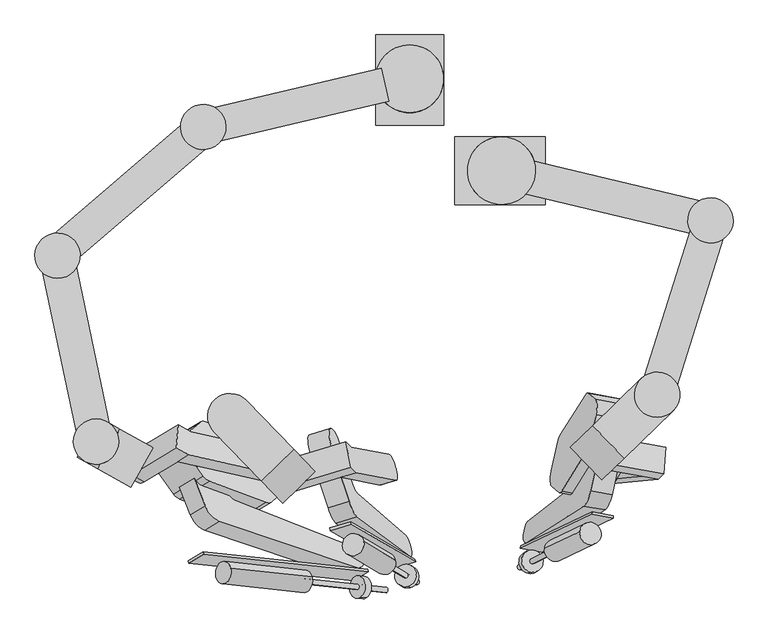
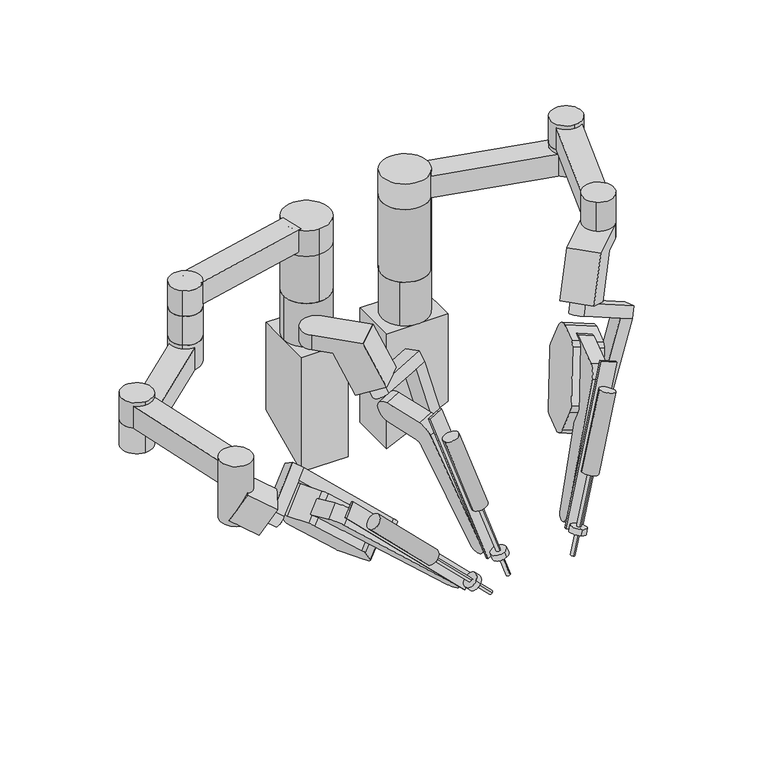
"""IFC4 building model written with IfcOpenShell, lengths in millimetres: proxy geometry."""

from ifc_helpers import new_model, si_unit, point, frame, frame_2d, origin, place, context, project, spatial, polyline, circle_curve, ellipse_curve, trimmed, segment, composite_curve, outline, extrude, source, transform, mapped, element, save
from ifc_brep_helpers import plane_surface, cylinder_surface, advanced_brep


def generic_models_1e591050(model_context):
    return source(origin(), model_context, "Body", "SolidModel", [
        advanced_brep(
        [(-258.2810903, -1226.9161552, 1247.8126223), (-520.8532671, -1167.6401337, 1481.1542051), (-516.4941882, -1115.9168417, 1444.5762132), (-267.6061209, -1172.1036571, 1223.3953696), (-233.2059041, -1211.7921884, 1272.1870077), (-242.5309346, -1156.9796902, 1247.7697549), (-491.4190019, -1100.7928748, 1468.9505985), (-519.9847939, -1084.6755547, 1488.3371279), (-524.3438728, -1136.3988467, 1524.9151198), (-495.7780808, -1152.5161669, 1505.5285904), (-596.0788259, -1213.0120343, 1408.031049), (-591.719747, -1161.2887422, 1371.4530571), (-620.2855389, -1145.1714221, 1390.8395865), (-624.6446178, -1196.8947141, 1427.4175784)],
        [
            (0, 1),
            (1, 2),
            (2, 3),
            (3, 0, circle_curve(frame((-262.9436056, -1199.5099062, 1235.603996), z_axis=(-0.6581413715955652, -0.3969545105254528, -0.6397476467856732), x_axis=(-0.15356074952558446, 0.9026295661053119, -0.40209322625191934)), 30.362676)),
            (4, 5, circle_curve(frame((-237.8684194, -1184.3859393, 1259.9783813), z_axis=(0.6581413715955652, 0.3969545105254528, 0.6397476467856732), x_axis=(-0.15356074952558446, 0.9026295661053119, -0.40209322625191934)), 30.362676)),
            (5, 6),
            (6, 7),
            (7, 8),
            (8, 9),
            (9, 4),
            (3, 5),
            (4, 0),
            (2, 6),
            (9, 1),
            (10, 11, circle_curve(frame((-593.8992864, -1187.1503883, 1389.7420531), z_axis=(0.7497583187219721, -0.42302677523558796, -0.5088327927138552), x_axis=(-0.06864691181327294, -0.8145400321698636, 0.5760313684958643)), 31.75)),
            (11, 2),
            (1, 10),
            (12, 13, circle_curve(frame((-622.4650784, -1171.0330681, 1409.1285825), z_axis=(-0.7497583187219721, 0.42302677523558796, 0.5088327927138552), x_axis=(-0.06864691181327294, -0.8145400321698636, 0.5760313684958643)), 31.75)),
            (13, 8),
            (7, 12),
            (11, 12),
            (13, 10),
        ],
        [
            plane_surface(frame((-267.6061209, -1172.1036571, 1223.3953696), z_axis=(-0.6581413715955493, -0.3969545105254627, -0.6397476467856835), x_axis=(0.7370678606474883, -0.16639405928706608, -0.6550144928431029))),
            plane_surface(frame((-242.5309346, -1156.9796902, 1247.7697549), z_axis=(0.6581413715955493, 0.3969545105254627, 0.6397476467856835), x_axis=(-0.7370678606474883, 0.16639405928706608, 0.6550144928431029))),
            cylinder_surface(frame((-262.9436056, -1199.5099062, 1235.603996), z_axis=(0.6581413715955652, 0.3969545105254528, 0.6397476467856732), x_axis=(-0.15356074952558446, 0.9026295661053119, -0.40209322625191934)), 30.362676),
            plane_surface(frame((-242.5309346, -1156.9796902, 1247.7697549), z_axis=(-0.153560749525602, 0.9026295661053115, -0.4020932262519137), x_axis=(-0.6581413715955473, -0.3969545105254638, -0.6397476467856849))),
            plane_surface(frame((-495.7780808, -1152.5161669, 1505.5285904), z_axis=(0.15356074952559956, -0.9026295661053108, 0.4020932262519159), x_axis=(-0.6581413715955468, -0.396954510525464, -0.6397476467856852))),
            plane_surface(frame((-591.719747, -1161.2887422, 1371.4530571), z_axis=(0.7497583187219939, -0.4230267752355741, -0.5088327927138345), x_axis=(0.658141371595549, 0.39695451052546676, 0.6397476467856811))),
            plane_surface(frame((-620.2855389, -1145.1714221, 1390.8395865), z_axis=(-0.7497583187219939, 0.4230267752355741, 0.5088327927138345), x_axis=(-0.658141371595549, -0.39695451052546676, -0.6397476467856811))),
            plane_surface(frame((-591.719747, -1161.2887422, 1371.4530571), z_axis=(0.06864691181326785, 0.8145400321698608, -0.5760313684958692), x_axis=(-0.7497583187219959, 0.42302677523557347, 0.5088327927138321))),
            plane_surface(frame((-495.7780808, -1152.5161669, 1505.5285904), z_axis=(-0.06864691181326679, -0.8145400321698635, 0.5760313684958656), x_axis=(-0.749758318721991, 0.42302677523557364, 0.5088327927138394))),
            cylinder_surface(frame((-622.4650784, -1171.0330681, 1409.1285825), z_axis=(0.7497583187219721, -0.42302677523558796, -0.5088327927138552), x_axis=(-0.06864691181327294, -0.8145400321698636, 0.5760313684958643)), 31.75),
        ],
        [
            (0, [[1, 2, 3, 4]]),
            (1, [[5, 6, 7, 8, 9, 10]]),
            (2, [[-4, 11, -5, 12]]),
            (3, [[-3, 13, -6, -11]]),
            (4, [[-1, -12, -10, 14]]),
            (5, [[15, 16, -2, 17]]),
            (6, [[18, 19, -8, 20]]),
            (7, [[-20, -7, -13, -16, 21]]),
            (8, [[-19, 22, -17, -14, -9]]),
            (9, [[-15, -22, -18, -21]]),
        ],
    ),
        advanced_brep(
        [(-715.8894668, -1172.1965464, 1391.2007505), (-746.3567464, -1094.2820095, 1391.2007505), (-667.9503778, -1087.2309298, 1391.2007505), (-662.1975404, -1151.2011456, 1600.2), (-746.3567464, -1094.2820095, 1600.2), (-662.1975404, -1151.2011456, 1489.5768997), (-656.7144928, -1104.8968507, 1500.2034251), (-675.8312329, -1080.6527408, 1451.8794121), (-675.8312329, -1080.6527408, 1397.1683365), (-682.9593586, -1076.6309274, 1402.0059275), (-682.9593586, -1076.6309274, 1438.0326113), (-698.6119329, -1072.2584577, 1411.3336254), (-744.558956, -1153.6934042, 1411.3336254), (-694.9587113, -1172.6796074, 1500.2034251), (-625.9063402, -1225.4773936, 1449.3211428), (-700.8807031, -1183.1755449, 1500.2034251), (-746.6295455, -1157.3632468, 1411.3336254), (-671.6551826, -1199.6650955, 1360.4513431), (-575.9803916, -1136.9903343, 1449.3211428), (-621.7292339, -1111.1780362, 1360.4513431), (-650.9547545, -1094.6884857, 1500.2034251), (-696.7035968, -1068.8761875, 1411.3336254)],
        [
            (0, 1, circle_curve(frame((-704.2771434, -1122.7415775, 1391.2007505), z_axis=(0.0, 0.0, -1.0), x_axis=(-0.828338641780918, 0.5602277166764816, 0.0)), 50.8)),
            (1, 2, circle_curve(frame((-704.2771434, -1122.7415775, 1391.2007505), z_axis=(0.0, 0.0, -1.0), x_axis=(-0.828338641780918, 0.5602277166764816, 0.0)), 50.8)),
            (2, 0),
            (3, 4, circle_curve(frame((-704.2771434, -1122.7415775, 1600.2), z_axis=(0.0, 0.0, 1.0), x_axis=(-0.828338641780918, 0.5602277166764816, 0.0)), 50.8)),
            (4, 3, circle_curve(frame((-704.2771434, -1122.7415775, 1600.2), z_axis=(0.0, 0.0, 1.0), x_axis=(-0.828338641780918, 0.5602277166764816, 0.0)), 50.8)),
            (3, 5),
            (5, 6, ellipse_curve(frame((-704.2771434, -1122.7415775, 1519.5049516), z_axis=(0.44316060500752347, -0.2500389751824801, 0.8608653722034945), x_axis=(-0.749758318722004, 0.4230267752355813, 0.5088327927138135)), 59.0103884, 50.8)),
            (6, 7, ellipse_curve(frame((-704.2771434, -1122.7415775, 1444.9560117), z_axis=(-0.7497583187219935, 0.42302677523557436, 0.5088327927138351), x_axis=(0.4431606050075422, -0.2500389751824901, 0.8608653722034818)), 99.8363327, 50.8)),
            (7, 8),
            (8, 2, ellipse_curve(frame((-704.2771434, -1122.7415775, 1399.587132), z_axis=(-0.44316060500752463, 0.2500389751824811, -0.8608653722034936), x_axis=(-0.7497583187220029, 0.42302677523558124, 0.5088327927138151)), 59.0103884, 50.8)),
            (1, 4),
            (9, 10),
            (10, 11, ellipse_curve(frame((-704.2771434, -1122.7415775, 1444.9560117), z_axis=(-0.7497583187219935, 0.42302677523557436, 0.5088327927138351), x_axis=(0.4431606050075422, -0.2500389751824901, 0.8608653722034818)), 99.8363327, 50.8)),
            (11, 9, ellipse_curve(frame((-704.2771434, -1122.7415775, 1399.587132), z_axis=(-0.44316060500752463, 0.2500389751824811, -0.8608653722034936), x_axis=(-0.7497583187220029, 0.42302677523558124, 0.5088327927138151)), 59.0103884, 50.8)),
            (0, 12, ellipse_curve(frame((-704.2771434, -1122.7415775, 1399.587132), z_axis=(-0.44316060500752463, 0.2500389751824811, -0.8608653722034936), x_axis=(-0.7497583187220029, 0.42302677523558124, 0.5088327927138151)), 59.0103884, 50.8)),
            (12, 13, ellipse_curve(frame((-704.2771434, -1122.7415775, 1444.9560117), z_axis=(-0.7497583187219935, 0.42302677523557436, 0.5088327927138351), x_axis=(0.4431606050075422, -0.2500389751824901, 0.8608653722034818)), 99.8363327, 50.8)),
            (13, 5, ellipse_curve(frame((-704.2771434, -1122.7415775, 1519.5049516), z_axis=(0.44316060500752347, -0.2500389751824801, 0.8608653722034945), x_axis=(-0.749758318722004, 0.4230267752355813, 0.5088327927138135)), 59.0103884, 50.8)),
            (14, 15),
            (15, 16),
            (16, 17),
            (17, 14),
            (18, 19),
            (19, 8),
            (7, 20),
            (20, 18),
            (9, 21),
            (21, 10),
            (14, 18),
            (20, 6),
            (13, 15),
            (12, 16),
            (21, 11),
            (19, 17),
        ],
        [
            plane_surface(frame((-746.3567464, -1094.2820095, 1391.2007505), z_axis=(0.0, 0.0, -1.0000000000000002), x_axis=(0.5602277166764816, 0.828338641780918, 0.0))),
            plane_surface(frame((-746.3567464, -1094.2820095, 1600.2), z_axis=(0.0, 0.0, 1.0000000000000002), x_axis=(-0.5602277166764816, -0.828338641780918, 0.0))),
            cylinder_surface(frame((-704.2771434, -1122.7415775, 1391.2007505), z_axis=(0.0, 0.0, 1.0000000000000002), x_axis=(-0.828338641780918, 0.5602277166764816, 0.0)), 50.8),
            plane_surface(frame((-671.6551826, -1199.6650955, 1360.4513431), z_axis=(-0.49139713234462323, -0.8709356223760061, 0.0), x_axis=(0.44316060500753995, -0.2500389751824901, 0.860865372203483))),
            plane_surface(frame((-621.7292339, -1111.1780362, 1360.4513431), z_axis=(0.49139713234462323, 0.8709356223760061, 0.0), x_axis=(-0.44316060500753995, 0.2500389751824901, -0.860865372203483))),
            plane_surface(frame((-650.9547545, -1094.6884857, 1500.2034251), z_axis=(0.44316060500752347, -0.2500389751824801, 0.8608653722034945), x_axis=(-0.4913971323446229, -0.8709356223760062, 0.0))),
            plane_surface(frame((-696.7035968, -1068.8761875, 1411.3336254), z_axis=(-0.7497583187219935, 0.42302677523557436, 0.5088327927138351), x_axis=(-0.49139713234462346, -0.8709356223760059, 0.0))),
            plane_surface(frame((-621.7292339, -1111.1780362, 1360.4513431), z_axis=(-0.44316060500752463, 0.2500389751824811, -0.8608653722034936), x_axis=(-0.49139713234462346, -0.8709356223760059, 0.0))),
            plane_surface(frame((-575.9803916, -1136.9903343, 1449.3211428), z_axis=(0.7497583187219947, -0.42302677523557447, -0.5088327927138332), x_axis=(-0.4913971323446229, -0.8709356223760062, 0.0))),
        ],
        [
            (0, [[1, 2, 3]]),
            (1, [[4, 5]]),
            (2, [[-4, 6, 7, 8, 9, 10, -2, 11], [12, 13, 14]]),
            (2, [[-5, -11, -1, 15, 16, 17, -6]]),
            (3, [[18, 19, 20, 21]]),
            (4, [[22, 23, -9, 24, 25]]),
            (4, [[26, 27, -12]]),
            (5, [[-18, 28, -25, 29, -7, -17, 30]]),
            (6, [[-19, -30, -16, 31]]),
            (6, [[-24, -8, -29]]),
            (6, [[-27, 32, -13]]),
            (7, [[-20, -31, -15, -3, -10, -23, 33]]),
            (7, [[-26, -14, -32]]),
            (8, [[-21, -33, -22, -28]]),
        ],
    ),
        advanced_brep(
        [(-261.8620512, -1235.3119342, 1736.2705553), (-273.0604232, -1178.0097604, 1711.3044314), (-166.4826328, -1145.8773365, 1737.2499885), (-155.2842608, -1203.1795103, 1762.2161124), (-285.0759555, -1165.5673125, 1745.25178), (-273.8775835, -1222.8694863, 1770.2179039), (-131.773863, -1180.0262545, 1804.81198), (-142.972235, -1122.7240807, 1779.8458561), (-130.9567027, -1135.1665286, 1745.8985075), (-119.7583307, -1192.4687024, 1770.8646314), (-30.6887325, -1209.735079, 1426.3728784), (-46.5290211, -1151.5330574, 1419.3601527), (-66.2146627, -1220.4458869, 1417.7243594), (-82.0549512, -1162.2438654, 1410.7116337)],
        [
            (0, 1, circle_curve(frame((-267.4612372, -1206.6608473, 1723.7874934), z_axis=(0.3153683007529365, -0.32657343543829426, -0.8910065241883675), x_axis=(0.1763523147590656, -0.9023964376529808, 0.3931673058512488)), 31.75)),
            (1, 2),
            (2, 3),
            (3, 0),
            (4, 5, circle_curve(frame((-279.4767695, -1194.2183994, 1757.7348419), z_axis=(-0.3153683007529365, 0.32657343543829426, 0.8910065241883675), x_axis=(0.1763523147590656, -0.9023964376529808, 0.3931673058512488)), 31.75)),
            (5, 6),
            (6, 7),
            (7, 4),
            (7, 8),
            (8, 2),
            (1, 4),
            (6, 9),
            (9, 10),
            (10, 11, circle_curve(frame((-38.6088768, -1180.6340682, 1422.8665156), z_axis=(0.9324391111270062, 0.2811235681639703, 0.22699524986976316), x_axis=(-0.26085132503583547, 0.9584468371278997, -0.11548266807869645)), 30.362676)),
            (11, 8),
            (5, 0),
            (3, 9),
            (12, 3),
            (2, 13),
            (13, 12, circle_curve(frame((-74.1348069, -1191.3448762, 1414.2179966), z_axis=(-0.9324391111270062, -0.2811235681639703, -0.22699524986976316), x_axis=(-0.26085132503583547, 0.9584468371278997, -0.11548266807869645)), 30.362676)),
            (13, 11),
            (10, 12),
        ],
        [
            plane_surface(frame((-273.0604232, -1178.0097604, 1711.3044314), z_axis=(0.31536830075295763, -0.3265734354382882, -0.8910065241883621), x_axis=(0.9324391111270008, 0.2811235681639744, 0.22699524986978012))),
            plane_surface(frame((-285.0759555, -1165.5673125, 1745.25178), z_axis=(-0.31536830075295763, 0.3265734354382882, 0.8910065241883621), x_axis=(-0.9324391111270008, -0.2811235681639744, -0.22699524986978012))),
            plane_surface(frame((-273.0604232, -1178.0097604, 1711.3044314), z_axis=(-0.17635231475906643, 0.9023964376529808, -0.39316730585124887), x_axis=(-0.31536830075295774, 0.32657343543828765, 0.8910065241883623))),
            plane_surface(frame((-130.9567027, -1135.1665286, 1745.8985075), z_axis=(0.9324391111270008, 0.2811235681639755, 0.22699524986977995), x_axis=(-0.31536830075295774, 0.32657343543828765, 0.8910065241883623))),
            plane_surface(frame((-119.7583307, -1192.4687024, 1770.8646314), z_axis=(0.17635231475906732, -0.9023964376529805, 0.3931673058512491), x_axis=(-0.31536830075295774, 0.32657343543828765, 0.8910065241883623))),
            cylinder_surface(frame((-279.4767695, -1194.2183994, 1757.7348419), z_axis=(0.3153683007529365, -0.32657343543829426, -0.8910065241883675), x_axis=(0.1763523147590656, -0.9023964376529808, 0.3931673058512488)), 31.75),
            plane_surface(frame((-82.0549512, -1162.2438654, 1410.7116337), z_axis=(-0.9324391111270005, -0.28112356816397654, -0.22699524986977945), x_axis=(0.2500277789921241, -0.04846854466849215, -0.9670247721284001))),
            cylinder_surface(frame((-74.1348069, -1191.3448762, 1414.2179966), z_axis=(0.9324391111270062, 0.2811235681639703, 0.22699524986976316), x_axis=(-0.26085132503583547, 0.9584468371278997, -0.11548266807869645)), 30.362676),
            plane_surface(frame((-46.5290211, -1151.5330574, 1419.3601527), z_axis=(-0.26085132503584285, 0.9584468371278984, -0.11548266807869156), x_axis=(-0.932439111127, -0.2811235681639771, -0.22699524986978037))),
            plane_surface(frame((-119.7583307, -1192.4687024, 1770.8646314), z_axis=(0.2608513250358433, -0.9584468371278984, 0.11548266807868995), x_axis=(-0.932439111127, -0.2811235681639771, -0.22699524986978037))),
        ],
        [
            (0, [[1, 2, 3, 4]]),
            (1, [[5, 6, 7, 8]]),
            (2, [[-8, 9, 10, -2, 11]]),
            (3, [[-7, 12, 13, 14, 15, -9]]),
            (4, [[-6, 16, -4, 17, -12]]),
            (5, [[-1, -16, -5, -11]]),
            (6, [[18, -3, 19, 20]]),
            (7, [[-20, 21, -14, 22]]),
            (8, [[-19, -10, -15, -21]]),
            (9, [[-18, -22, -13, -17]]),
        ],
    ),
        advanced_brep(
        [(417.7710666, -1210.7634198, 1360.705497), (522.6787776, -1200.575341, 1700.9945862), (526.5483724, -1141.2850151, 1678.5907141), (427.1079908, -1150.9421359, 1356.0359988), (453.7071896, -1217.222026, 1349.8201183), (463.0441138, -1157.4007421, 1345.1506201), (562.4844954, -1147.7436213, 1667.7053353), (574.9269433, -1135.728089, 1701.6526839), (571.0573485, -1195.0184149, 1724.056556), (558.6149006, -1207.0339472, 1690.1092074), (414.8704086, -1181.1995224, 1733.6507224), (418.7400034, -1121.9091965, 1711.2468503), (431.1824513, -1109.8936642, 1745.1941989), (427.3128565, -1169.1839901, 1767.598071)],
        [
            (0, 1),
            (1, 2),
            (2, 3),
            (3, 0, circle_curve(frame((422.4395287, -1180.8527778, 1358.3707479), z_axis=(-0.9432053278254023, 0.16951722310388673, 0.28570547882902475), x_axis=(0.1537566097649142, 0.9851121801386347, -0.07689536719534183)), 30.362676)),
            (4, 5, circle_curve(frame((458.3756517, -1187.311384, 1347.4853692), z_axis=(0.9432053278254023, -0.16951722310388673, -0.28570547882902475), x_axis=(0.1537566097649142, 0.9851121801386347, -0.07689536719534183)), 30.362676)),
            (5, 6),
            (6, 7),
            (7, 8),
            (8, 9),
            (9, 4),
            (3, 5),
            (4, 0),
            (2, 6),
            (9, 1),
            (10, 11, circle_curve(frame((416.805206, -1151.5543594, 1722.4487864), z_axis=(-0.326573435438311, -0.31536830075295846, -0.8910065241883535), x_axis=(-0.0609385003737386, -0.9337059204863901, 0.35281688341243406)), 31.75)),
            (11, 2),
            (1, 10),
            (12, 13, circle_curve(frame((429.2476539, -1139.5388272, 1756.3961349), z_axis=(0.326573435438311, 0.31536830075295846, 0.8910065241883535), x_axis=(-0.0609385003737386, -0.9337059204863901, 0.35281688341243406)), 31.75)),
            (13, 8),
            (7, 12),
            (11, 12),
            (13, 10),
        ],
        [
            plane_surface(frame((427.1079908, -1150.9421359, 1356.0359988), z_axis=(-0.9432053278254081, 0.16951722310388107, 0.28570547882900926), x_axis=(-0.2944870362433039, -0.028599014207717998, -0.9552274503336794))),
            plane_surface(frame((463.0441138, -1157.4007421, 1345.1506201), z_axis=(0.9432053278254081, -0.16951722310388107, -0.28570547882900926), x_axis=(0.2944870362433039, 0.028599014207717998, 0.9552274503336794))),
            cylinder_surface(frame((422.4395287, -1180.8527778, 1358.3707479), z_axis=(0.9432053278254026, -0.16951722310388675, -0.2857054788290248), x_axis=(0.1537566097649142, 0.9851121801386347, -0.07689536719534183)), 30.362676),
            plane_surface(frame((463.0441138, -1157.4007421, 1345.1506201), z_axis=(0.1537566097649111, 0.9851121801386359, -0.07689536719533444), x_axis=(-0.9432053278254084, 0.16951722310388107, 0.28570547882900854))),
            plane_surface(frame((558.6149006, -1207.0339472, 1690.1092074), z_axis=(-0.15375660976491168, -0.9851121801386359, 0.07689536719533242), x_axis=(-0.9432053278254084, 0.16951722310388107, 0.28570547882900854))),
            plane_surface(frame((418.7400034, -1121.9091965, 1711.2468503), z_axis=(-0.3265734354382851, -0.3153683007529609, -0.8910065241883623), x_axis=(0.9432053278254084, -0.1695172231038836, -0.28570547882900693))),
            plane_surface(frame((431.1824513, -1109.8936642, 1745.1941989), z_axis=(0.3265734354382851, 0.3153683007529609, 0.8910065241883623), x_axis=(-0.9432053278254084, 0.1695172231038836, 0.28570547882900693))),
            plane_surface(frame((418.7400034, -1121.9091965, 1711.2468503), z_axis=(0.06093850037373935, 0.9337059204863908, -0.35281688341243217), x_axis=(0.3265734354382841, 0.3153683007529613, 0.8910065241883623))),
            plane_surface(frame((558.6149006, -1207.0339472, 1690.1092074), z_axis=(-0.06093850037373891, -0.933705920486392, 0.352816883412429), x_axis=(0.32657343543828765, 0.31536830075295774, 0.8910065241883623))),
            cylinder_surface(frame((429.2476539, -1139.5388272, 1756.3961349), z_axis=(-0.326573435438311, -0.31536830075295846, -0.8910065241883535), x_axis=(-0.0609385003737386, -0.9337059204863901, 0.35281688341243406)), 31.75),
        ],
        [
            (0, [[1, 2, 3, 4]]),
            (1, [[5, 6, 7, 8, 9, 10]]),
            (2, [[-4, 11, -5, 12]]),
            (3, [[-3, 13, -6, -11]]),
            (4, [[-1, -12, -10, 14]]),
            (5, [[15, 16, -2, 17]]),
            (6, [[18, 19, -8, 20]]),
            (7, [[-20, -7, -13, -16, 21]]),
            (8, [[-19, 22, -17, -14, -9]]),
            (9, [[-15, -22, -18, -21]]),
        ],
    ),
        advanced_brep(
        [(520.6034413, -981.0148052, 1866.9), (585.7515774, -976.4592037, 1866.9), (591.1807318, -1054.0997289, 1866.9), (546.2776151, -1097.4621646, 1866.9), (475.7003247, -1024.3772409, 1866.9), (520.6034413, -981.0148052, 1917.7), (410.9760558, -1086.8807408, 1917.7), (481.5533462, -1159.9656646, 1917.7), (591.1807318, -1054.0997289, 1917.7), (585.7515774, -976.4592037, 1917.7), (426.7312302, -1071.6661458, 1733.2951873), (360.565374, -1135.5617703, 1780.1620332), (431.1426645, -1208.646694, 1780.1620332), (497.3085206, -1144.7510695, 1733.2951873)],
        [
            (0, 1, circle_curve(frame((555.8920865, -1017.557267, 1866.9), z_axis=(0.0, 0.0, -1.0), x_axis=(0.587785252292457, 0.8090169943749592, 0.0)), 50.8)),
            (1, 2, circle_curve(frame((555.8920865, -1017.557267, 1866.9), z_axis=(0.0, 0.0, -1.0), x_axis=(0.587785252292457, 0.8090169943749592, 0.0)), 50.8)),
            (2, 3),
            (3, 4),
            (4, 0),
            (5, 6),
            (6, 7),
            (7, 8),
            (8, 9, circle_curve(frame((555.8920865, -1017.557267, 1917.7), z_axis=(0.0, 0.0, 1.0), x_axis=(0.587785252292457, 0.8090169943749592, 0.0)), 50.8)),
            (9, 5, circle_curve(frame((555.8920865, -1017.557267, 1917.7), z_axis=(0.0, 0.0, 1.0), x_axis=(0.587785252292457, 0.8090169943749592, 0.0)), 50.8)),
            (5, 0),
            (4, 10),
            (10, 11),
            (11, 6),
            (7, 12),
            (12, 13),
            (13, 3),
            (2, 8),
            (1, 9),
            (11, 12),
            (13, 10),
        ],
        [
            plane_surface(frame((585.7515774, -976.4592037, 1866.9), z_axis=(0.0, 0.0, -1.0000000000000002), x_axis=(0.8090169943749593, -0.587785252292457, 0.0))),
            plane_surface(frame((585.7515774, -976.4592037, 1917.7), z_axis=(0.0, 0.0, 1.0000000000000002), x_axis=(-0.8090169943749593, 0.587785252292457, 0.0))),
            plane_surface(frame((410.9760558, -1086.8807408, 1866.9), z_axis=(-0.6946583704590127, 0.7193398003386364, 0.0), x_axis=(0.0, 0.0, 1.0))),
            plane_surface(frame((591.1807318, -1054.0997289, 1866.9), z_axis=(0.6946583704590115, -0.7193398003386374, 0.0), x_axis=(0.0, 0.0, 1.0))),
            cylinder_surface(frame((555.8920865, -1017.557267, 1917.7), z_axis=(0.0, 0.0, -1.0000000000000002), x_axis=(0.587785252292457, 0.8090169943749592, 0.0)), 50.8),
            plane_surface(frame((481.5533462, -1159.9656646, 1917.7), z_axis=(-0.6409364552100815, -0.6189451401610317, 0.45399049973956085), x_axis=(-0.6946583704590122, 0.7193398003386368, 0.0))),
            plane_surface(frame((497.3085206, -1144.7510695, 1733.2951873), z_axis=(0.6409364552100818, 0.6189451401610321, -0.45399049973955996), x_axis=(-0.6946583704590122, 0.7193398003386368, 0.0))),
            plane_surface(frame((431.1426645, -1208.646694, 1780.1620332), z_axis=(-0.3265734354382848, -0.3153683007529607, -0.8910065241883625), x_axis=(-0.6946583704590122, 0.7193398003386368, 0.0))),
        ],
        [
            (0, [[1, 2, 3, 4, 5]]),
            (1, [[6, 7, 8, 9, 10]]),
            (2, [[-6, 11, -5, 12, 13, 14]]),
            (3, [[-8, 15, 16, 17, -3, 18]]),
            (4, [[-2, 19, -9, -18]]),
            (4, [[-1, -11, -10, -19]]),
            (5, [[-14, 20, -15, -7]]),
            (6, [[21, -12, -4, -17]]),
            (7, [[-13, -21, -16, -20]]),
        ],
    ),
        extrude(outline(composite_curve([segment(trimmed(circle_curve(frame_2d((0.0, -25.4)), 25.4), [point((0.0, -50.8))], [point((0.0, 0.0))], False, "CARTESIAN"), True, "CONTINUOUS"), segment(trimmed(circle_curve(frame_2d((0.0, -25.4)), 25.4), [point((0.0, 0.0))], [point((0.0, -50.8))], False, "CARTESIAN"), True, "CONTINUOUS")], self_intersect=False)), frame((272.5435283, -1369.3535486, 1153.1643962), z_axis=(0.311030191607804, 0.14844081606652254, 0.9387361418598507), x_axis=(0.9432053278254064, -0.16951722310389009, -0.28570547882900943)), (0.0, 0.0, 1.0), 19.05),
        extrude(outline(composite_curve([segment(trimmed(circle_curve(frame_2d((0.0, -6.3499999)), 6.35), [point((0.0, -12.6999999))], [point((0.0, 0.0))], False, "CARTESIAN"), True, "CONTINUOUS"), segment(trimmed(circle_curve(frame_2d((0.0, -6.3499999)), 6.35), [point((0.0, 0.0))], [point((0.0, -12.6999999))], False, "CARTESIAN"), True, "CONTINUOUS")], self_intersect=False)), frame((248.5945231, -1398.2822491, 1091.2652812), z_axis=(0.31103019160780393, 0.1484408160665225, 0.9387361418598507), x_axis=(0.9432053278254064, -0.16951722310389003, -0.2857054788290094)), (0.0, 0.0, 1.0), 254.0),
        extrude(outline(composite_curve([segment(trimmed(circle_curve(frame_2d((0.0, -25.4)), 25.4), [point((0.0, -50.7999999))], [point((0.0, 0.0))], False, "CARTESIAN"), True, "CONTINUOUS"), segment(trimmed(circle_curve(frame_2d((0.0, -25.4)), 25.4), [point((0.0, 0.0))], [point((0.0, -50.7999999))], False, "CARTESIAN"), True, "CONTINUOUS")], self_intersect=False)), frame((350.812425, -1371.0707224, 1323.6712102), z_axis=(0.3110301916078029, 0.1484408160665227, 0.938736141859851), x_axis=(-0.11672158956328775, -0.9742839602480636, 0.19273514296352134)), (0.0, 0.0, 1.0), 254.0),
        extrude(outline(polyline([(0.0, -6.3500001), (0.0, 0.0), (50.7999999, 0.0), (50.7999999, -6.35), (0.0, -6.3500001)])), frame((249.6052384, -1356.5410943, 1158.7384966), z_axis=(0.31103019160779916, 0.14844081606653042, 0.9387361418598511), x_axis=(0.9432053278254093, -0.16951722310388126, -0.2857054788290053)), (0.0, 0.0, 1.0), 514.35),
        extrude(outline(composite_curve([segment(polyline([(8.6873117, -49.2681925), (-348.4787698, -112.2462093)]), True, "CONTINUOUS"), segment(trimmed(circle_curve(frame_2d((-344.0681062, -137.2603262)), 25.4), [point((-348.4787698, -112.2462093))], [point((-368.5611455, -130.5334382))], True, "CARTESIAN"), True, "CONTINUOUS"), segment(polyline([(-368.5611455, -130.5334382), (-396.6017505, -232.6311144)]), True, "CONTINUOUS"), segment(trimmed(circle_curve(frame_2d((-435.6352595, -211.3664094)), 44.45), [point((-396.6017505, -232.6311144))], [point((-479.4553156, -203.9095214))], False, "CARTESIAN"), True, "CONTINUOUS"), segment(polyline([(-479.4553156, -203.9095214), (-446.1655432, -82.6992833)]), True, "CONTINUOUS"), segment(trimmed(circle_curve(frame_2d((-403.3027242, -94.4713374)), 44.45), [point((-446.1655432, -82.6992833))], [point((-410.3652854, -50.5860013))], False, "CARTESIAN"), True, "CONTINUOUS"), segment(polyline([(-410.3652854, -50.5860013), (-3.119275, -0.1922606)]), True, "CONTINUOUS"), segment(trimmed(circle_curve(frame_2d((0.0, -25.4)), 25.4), [point((-3.119275, -0.1922606))], [point((8.6873117, -49.2681925))], False, "CARTESIAN"), True, "CONTINUOUS")], self_intersect=False)), frame((308.3139202, -1358.7607162, 1176.0661505), z_axis=(-0.9432053278254081, 0.16951722310388107, 0.28570547882900926), x_axis=(-0.30213045119562376, -0.08011660820681964, -0.9498939517387001)), (0.0, 0.0, 1.0), 50.8),
        extrude(outline(composite_curve([segment(polyline([(1e-07, -50.8), (-170.1341978, -50.8)]), True, "CONTINUOUS"), segment(trimmed(circle_curve(frame_2d((-170.1341979, -25.4)), 25.4), [point((-170.1341978, -50.8))], [point((-188.0947101, -43.3605123))], False, "CARTESIAN"), True, "CONTINUOUS"), segment(polyline([(-188.0947101, -43.3605123), (-236.0540354, 4.5988131)]), True, "CONTINUOUS"), segment(trimmed(circle_curve(frame_2d((-212.0670989, 25.4)), 31.75), [point((-236.0540354, 4.5988131))], [point((-236.0540354, 46.201187))], False, "CARTESIAN"), True, "CONTINUOUS"), segment(polyline([(-236.0540354, 46.201187), (-188.0947101, 94.1605122)]), True, "CONTINUOUS"), segment(trimmed(circle_curve(frame_2d((-170.1341978, 76.2)), 25.4), [point((-188.0947101, 94.1605122))], [point((-170.1341978, 101.6))], False, "CARTESIAN"), True, "CONTINUOUS"), segment(polyline([(-170.1341978, 101.6), (1e-07, 101.6)]), True, "CONTINUOUS"), segment(trimmed(circle_curve(frame_2d((1e-07, 76.2)), 25.4), [point((1e-07, 101.6))], [point((17.9605123, 94.1605122))], False, "CARTESIAN"), True, "CONTINUOUS"), segment(polyline([(17.9605123, 94.1605122), (65.9198376, 46.201187)]), True, "CONTINUOUS"), segment(trimmed(circle_curve(frame_2d((41.9329011, 25.4)), 31.75), [point((65.9198376, 46.201187))], [point((65.9198376, 4.5988131))], False, "CARTESIAN"), True, "CONTINUOUS"), segment(polyline([(65.9198376, 4.5988131), (17.9605123, -43.3605122)]), True, "CONTINUOUS"), segment(trimmed(circle_curve(frame_2d((1e-07, -25.4)), 25.4), [point((17.9605123, -43.3605122))], [point((1e-07, -50.8))], False, "CARTESIAN"), True, "CONTINUOUS")], self_intersect=False)), frame((435.4671063, -1167.0090302, 1393.1650647), z_axis=(-0.9432053278254082, 0.1695172231038811, 0.2857054788290094), x_axis=(-0.3316151662464548, -0.5318844206402158, -0.779185693269299)), (0.0, 0.0, 1.0), 101.6),
        extrude(outline(composite_curve([segment(trimmed(circle_curve(frame_2d((555.8920865, -1017.557267)), 50.8), [point((526.0325957, -1058.6553304))], [point((585.7515774, -976.4592037))], False, "CARTESIAN"), True, "CONTINUOUS"), segment(trimmed(circle_curve(frame_2d((555.8920865, -1017.557267)), 50.8), [point((585.7515774, -976.4592037))], [point((526.0325957, -1058.6553304))], False, "CARTESIAN"), True, "CONTINUOUS")], self_intersect=False)), frame((0.0, 0.0, 1917.7), z_axis=(0.0, 0.0, 1.0), x_axis=(1.0, 0.0, 0.0)), (0.0, 0.0, 1.0), 101.6),
        extrude(outline(polyline([(515.9994507, -1012.6673614), (637.6509651, -624.9021373), (710.3569446, -647.7117962), (588.7054302, -1035.4770203), (515.9994507, -1012.6673614)])), frame((0.0, 0.0, 1917.7), z_axis=(0.0, 0.0, 1.0), x_axis=(1.0, 0.0, 0.0)), (0.0, 0.0, 1.0), 76.2),
        extrude(outline(composite_curve([segment(trimmed(circle_curve(frame_2d((675.7138025, -626.0486035)), 50.8), [point((677.4866969, -575.2795495))], [point((673.940908, -676.8176575))], False, "CARTESIAN"), True, "CONTINUOUS"), segment(trimmed(circle_curve(frame_2d((675.7138025, -626.0486035)), 50.8), [point((673.940908, -676.8176575))], [point((677.4866969, -575.2795495))], False, "CARTESIAN"), True, "CONTINUOUS")], self_intersect=False)), frame((0.0, 0.0, 1917.7), z_axis=(0.0, 0.0, 1.0), x_axis=(1.0, 0.0, 0.0)), (0.0, 0.0, 1.0), 88.9),
        extrude(outline(composite_curve([segment(trimmed(circle_curve(frame_2d((675.7138025, -626.0486035)), 50.8), [point((677.4866969, -575.2795495))], [point((673.940908, -676.8176575))], False, "CARTESIAN"), True, "CONTINUOUS"), segment(trimmed(circle_curve(frame_2d((675.7138025, -626.0486035)), 50.8), [point((673.940908, -676.8176575))], [point((677.4866969, -575.2795495))], False, "CARTESIAN"), True, "CONTINUOUS")], self_intersect=False)), frame((0.0, 0.0, 1828.8), z_axis=(0.0, 0.0, 1.0), x_axis=(1.0, 0.0, 0.0)), (0.0, 0.0, 1.0), 88.9),
        extrude(outline(polyline([(270.7158313, -490.3206268), (666.0224595, -584.6266696), (648.3400764, -658.7466624), (253.0334483, -564.4406196), (270.7158313, -490.3206268)])), frame((0.0, 0.0, 1828.8), z_axis=(0.0, 0.0, 1.0), x_axis=(1.0, 0.0, 0.0)), (0.0, 0.0, 1.0), 76.2),
        extrude(outline(composite_curve([segment(trimmed(circle_curve(frame_2d((206.2846452, -514.118836)), 76.2), [point((147.9120586, -465.1384201))], [point((264.6572317, -563.0992518))], False, "CARTESIAN"), True, "CONTINUOUS"), segment(trimmed(circle_curve(frame_2d((206.2846452, -514.118836)), 76.2), [point((264.6572317, -563.0992518))], [point((147.9120586, -465.1384201))], False, "CARTESIAN"), True, "CONTINUOUS")], self_intersect=False)), frame((0.0, 0.0, 1828.8), z_axis=(0.0, 0.0, 1.0), x_axis=(1.0, 0.0, 0.0)), (0.0, 0.0, 1.0), 88.9),
        extrude(outline(composite_curve([segment(trimmed(circle_curve(frame_2d((206.2846452, -514.118836)), 76.2), [point((147.9120586, -465.1384201))], [point((264.6572317, -563.0992518))], False, "CARTESIAN"), True, "CONTINUOUS"), segment(trimmed(circle_curve(frame_2d((206.2846452, -514.118836)), 76.2), [point((264.6572317, -563.0992518))], [point((147.9120586, -465.1384201))], False, "CARTESIAN"), True, "CONTINUOUS")], self_intersect=False)), frame((0.0, 0.0, 1574.8), z_axis=(0.0, 0.0, 1.0), x_axis=(1.0, 0.0, 0.0)), (0.0, 0.0, 1.0), 254.0),
        extrude(outline(composite_curve([segment(trimmed(circle_curve(frame_2d((206.2846452, -514.118836)), 76.2), [point((157.3042293, -572.4914225))], [point((255.265061, -455.7462494))], False, "CARTESIAN"), True, "CONTINUOUS"), segment(trimmed(circle_curve(frame_2d((206.2846452, -514.118836)), 76.2), [point((255.265061, -455.7462494))], [point((157.3042293, -572.4914225))], False, "CARTESIAN"), True, "CONTINUOUS")], self_intersect=False)), frame((0.0, 0.0, 1422.4), z_axis=(0.0, 0.0, 1.0), x_axis=(1.0, 0.0, 0.0)), (0.0, 0.0, 1.0), 152.4),
        extrude(outline(polyline([(1022.8462839, 101.6), (1117.6, 304.8), (1422.4, 304.8), (1422.4, 101.6), (1022.8462839, 101.6)])), frame((0.0, -590.318836, 0.0), z_axis=(0.0, 1.0, 0.0), x_axis=(0.0, 0.0, 1.0)), (0.0, 0.0, 1.0), 152.4),
        extrude(outline(polyline([(-751.3836088, -717.1919651), (-667.5221797, -1114.8453578), (-742.0821909, -1130.5693757), (-825.94362, -732.9159831), (-751.3836088, -717.1919651)])), frame((0.0, 0.0, 1511.3), z_axis=(0.0, 0.0, 1.0), x_axis=(1.0, 0.0, 0.0)), (0.0, 0.0, 1.0), 76.2),
        extrude(outline(composite_curve([segment(trimmed(circle_curve(frame_2d((-790.9360242, -705.0626583)), 50.8), [point((-789.600624, -654.2802135))], [point((-792.2714243, -755.8451032))], False, "CARTESIAN"), True, "CONTINUOUS"), segment(trimmed(circle_curve(frame_2d((-790.9360242, -705.0626583)), 50.8), [point((-792.2714243, -755.8451032))], [point((-789.600624, -654.2802135))], False, "CARTESIAN"), True, "CONTINUOUS")], self_intersect=False)), frame((0.0, 0.0, 1511.3), z_axis=(0.0, 0.0, 1.0), x_axis=(1.0, 0.0, 0.0)), (0.0, 0.0, 1.0), 88.9),
        extrude(outline(composite_curve([segment(trimmed(circle_curve(frame_2d((-463.6500695, -416.0335257)), 50.8), [point((-430.9964589, -377.118468))], [point((-496.3036801, -454.9485834))], False, "CARTESIAN"), True, "CONTINUOUS"), segment(trimmed(circle_curve(frame_2d((-463.6500695, -416.0335257)), 50.8), [point((-496.3036801, -454.9485834))], [point((-430.9964589, -377.118468))], False, "CARTESIAN"), True, "CONTINUOUS")], self_intersect=False)), frame((0.0, 0.0, 1422.4), z_axis=(0.0, 0.0, 1.0), x_axis=(1.0, 0.0, 0.0)), (0.0, 0.0, 1.0), 88.9),
        extrude(outline(composite_curve([segment(trimmed(circle_curve(frame_2d((-463.6500695, -416.0335257)), 50.8), [point((-430.9964589, -377.118468))], [point((-496.3036801, -454.9485834))], False, "CARTESIAN"), True, "CONTINUOUS"), segment(trimmed(circle_curve(frame_2d((-463.6500695, -416.0335257)), 50.8), [point((-496.3036801, -454.9485834))], [point((-430.9964589, -377.118468))], False, "CARTESIAN"), True, "CONTINUOUS")], self_intersect=False)), frame((0.0, 0.0, 1511.3), z_axis=(0.0, 0.0, 1.0), x_axis=(1.0, 0.0, 0.0)), (0.0, 0.0, 1.0), 101.6),
        extrude(outline(polyline([(-449.754741, -457.9065985), (-758.2472629, -722.4691126), (-807.8527343, -664.6267648), (-499.3602124, -400.0642506), (-449.754741, -457.9065985)])), frame((0.0, 0.0, 1422.4), z_axis=(0.0, 0.0, 1.0), x_axis=(1.0, 0.0, 0.0)), (0.0, 0.0, 1.0), 76.2),
        extrude(outline(composite_curve([segment(trimmed(circle_curve(frame_2d((0.0, -25.4)), 25.4), [point((0.0, -50.7999999))], [point((0.0, 0.0))], False, "CARTESIAN"), True, "CONTINUOUS"), segment(trimmed(circle_curve(frame_2d((0.0, -25.4)), 25.4), [point((0.0, 0.0))], [point((0.0, -50.7999999))], False, "CARTESIAN"), True, "CONTINUOUS")], self_intersect=False)), frame((-109.2502649, -1427.4554702, 1139.522476), z_axis=(-0.7183394899214068, 0.07660158336081424, 0.6914626343093814), x_axis=(0.658141371595553, 0.39695451052545255, 0.6397476467856859)), (0.0, 0.0, 1.0), 19.05),
        extrude(outline(composite_curve([segment(trimmed(circle_curve(frame_2d((0.0, -6.35)), 6.35), [point((0.0, -12.7))], [point((0.0, 0.0))], False, "CARTESIAN"), True, "CONTINUOUS"), segment(trimmed(circle_curve(frame_2d((0.0, -6.35)), 6.35), [point((0.0, 0.0))], [point((0.0, -12.7))], False, "CARTESIAN"), True, "CONTINUOUS")], self_intersect=False)), frame((-54.7789808, -1450.2299097, 1097.6162818), z_axis=(-0.718339489921407, 0.07660158336081425, 0.6914626343093814), x_axis=(0.658141371595553, 0.3969545105254525, 0.6397476467856859)), (0.0, 0.0, 1.0), 254.0),
        extrude(outline(composite_curve([segment(trimmed(circle_curve(frame_2d((0.0, -25.4)), 25.4), [point((-1e-07, -50.8))], [point((0.0, 0.0))], False, "CARTESIAN"), True, "CONTINUOUS"), segment(trimmed(circle_curve(frame_2d((0.0, -25.4)), 25.4), [point((0.0, 0.0))], [point((-1e-07, -50.8))], False, "CARTESIAN"), True, "CONTINUOUS")], self_intersect=False)), frame((-219.0886635, -1426.4984026, 1291.6282048), z_axis=(-0.7183394899214068, 0.07660158336081432, 0.6914626343093814), x_axis=(0.2254735288537832, -0.9146361648218997, 0.3355627717523339)), (0.0, 0.0, 1.0), 254.0),
        extrude(outline(polyline([(0.0, -6.35), (0.0, 0.0), (50.8, -1e-07), (50.8, -6.35), (0.0, -6.35)])), frame((-127.9357215, -1429.5521977, 1120.3430033), z_axis=(-0.7183394899214043, 0.07660158336079387, 0.6914626343093864), x_axis=(0.6581413715955486, 0.3969545105254613, 0.6397476467856849)), (0.0, 0.0, 1.0), 514.35),
        extrude(outline(composite_curve([segment(trimmed(circle_curve(frame_2d((0.0, -25.4)), 25.4), [point((-8.6873116, -49.2681925))], [point((3.119275, -0.1922606))], False, "CARTESIAN"), True, "CONTINUOUS"), segment(polyline([(3.119275, -0.1922606), (410.3652854, -50.5860013)]), True, "CONTINUOUS"), segment(trimmed(circle_curve(frame_2d((403.3027243, -94.4713374)), 44.45), [point((410.3652854, -50.5860013))], [point((446.1655432, -82.6992833))], False, "CARTESIAN"), True, "CONTINUOUS"), segment(polyline([(446.1655432, -82.6992833), (479.4553156, -203.9095214)]), True, "CONTINUOUS"), segment(trimmed(circle_curve(frame_2d((435.6352595, -211.3664094)), 44.45), [point((479.4553156, -203.9095214))], [point((396.6017506, -232.6311144))], False, "CARTESIAN"), True, "CONTINUOUS"), segment(polyline([(396.6017506, -232.6311144), (368.5611455, -130.5334381)]), True, "CONTINUOUS"), segment(trimmed(circle_curve(frame_2d((344.0681061, -137.2603263)), 25.4), [point((368.5611455, -130.5334381))], [point((348.4787699, -112.2462093))], True, "CARTESIAN"), True, "CONTINUOUS"), segment(polyline([(348.4787699, -112.2462093), (-8.6873116, -49.2681925)]), True, "CONTINUOUS")], self_intersect=False)), frame((-151.1897994, -1425.6918514, 1141.8703805), z_axis=(0.6581413715955482, 0.39695451052546327, 0.6397476467856841), x_axis=(-0.7326321294822079, 0.14185323414879583, 0.665678468039858)), (0.0, 0.0, 1.0), 50.8),
        extrude(outline(composite_curve([segment(trimmed(circle_curve(frame_2d((0.0, -25.3999999)), 25.4), [point((1e-07, -50.8))], [point((-17.9605122, -43.3605123))], False, "CARTESIAN"), True, "CONTINUOUS"), segment(polyline([(-17.9605122, -43.3605123), (-65.9198376, 4.5988132)]), True, "CONTINUOUS"), segment(trimmed(circle_curve(frame_2d((-41.9329011, 25.4)), 31.75), [point((-65.9198376, 4.5988132))], [point((-65.9198376, 46.201187))], False, "CARTESIAN"), True, "CONTINUOUS"), segment(polyline([(-65.9198376, 46.201187), (-17.9605122, 94.1605123)]), True, "CONTINUOUS"), segment(trimmed(circle_curve(frame_2d((0.0, 76.2000001)), 25.4), [point((-17.9605122, 94.1605123))], [point((0.0, 101.6))], False, "CARTESIAN"), True, "CONTINUOUS"), segment(polyline([(0.0, 101.6), (170.1341979, 101.6)]), True, "CONTINUOUS"), segment(trimmed(circle_curve(frame_2d((170.1341979, 76.2000001)), 25.4), [point((170.1341979, 101.6))], [point((188.0947101, 94.1605123))], False, "CARTESIAN"), True, "CONTINUOUS"), segment(polyline([(188.0947101, 94.1605123), (236.0540355, 46.201187)]), True, "CONTINUOUS"), segment(trimmed(circle_curve(frame_2d((212.067099, 25.4)), 31.75), [point((236.0540355, 46.201187))], [point((236.0540355, 4.5988131))], False, "CARTESIAN"), True, "CONTINUOUS"), segment(polyline([(236.0540355, 4.5988131), (188.0947101, -43.3605122)]), True, "CONTINUOUS"), segment(trimmed(circle_curve(frame_2d((170.1341979, -25.3999999)), 25.4), [point((188.0947101, -43.3605122))], [point((170.1341979, -50.8))], False, "CARTESIAN"), True, "CONTINUOUS"), segment(polyline([(170.1341979, -50.8), (1e-07, -50.8)]), True, "CONTINUOUS")], self_intersect=False)), frame((-394.9506074, -1210.0104975, 1219.1092519), z_axis=(0.6581413715955482, 0.3969545105254634, 0.6397476467856842), x_axis=(-0.7502882163016543, 0.2751566557606757, 0.6011292766697386)), (0.0, 0.0, 1.0), 101.6),
        extrude(outline(composite_curve([segment(trimmed(circle_curve(frame_2d((-790.9360242, -705.0626583)), 50.8), [point((-789.600624, -654.2802135))], [point((-792.2714243, -755.8451032))], False, "CARTESIAN"), True, "CONTINUOUS"), segment(trimmed(circle_curve(frame_2d((-790.9360242, -705.0626583)), 50.8), [point((-792.2714243, -755.8451032))], [point((-789.600624, -654.2802135))], False, "CARTESIAN"), True, "CONTINUOUS")], self_intersect=False)), frame((0.0, 0.0, 1422.4), z_axis=(0.0, 0.0, 1.0), x_axis=(1.0, 0.0, 0.0)), (0.0, 0.0, 1.0), 88.9),
        extrude(outline(composite_curve([segment(trimmed(circle_curve(frame_2d((-463.6500695, -416.0335257)), 50.8), [point((-430.9964589, -377.118468))], [point((-496.3036801, -454.9485834))], False, "CARTESIAN"), True, "CONTINUOUS"), segment(trimmed(circle_curve(frame_2d((-463.6500695, -416.0335257)), 50.8), [point((-496.3036801, -454.9485834))], [point((-430.9964589, -377.118468))], False, "CARTESIAN"), True, "CONTINUOUS")], self_intersect=False)), frame((0.0, 0.0, 1612.9), z_axis=(0.0, 0.0, 1.0), x_axis=(1.0, 0.0, 0.0)), (0.0, 0.0, 1.0), 88.9),
        extrude(outline(polyline([(-46.9098465, -358.005884), (-442.5166994, -451.0444672), (-459.9614337, -376.8681823), (-64.3545809, -283.8295991), (-46.9098465, -358.005884)])), frame((0.0, 0.0, 1625.6), z_axis=(0.0, 0.0, 1.0), x_axis=(1.0, 0.0, 0.0)), (0.0, 0.0, 1.0), 76.2),
        extrude(outline(composite_curve([segment(trimmed(circle_curve(frame_2d((0.0, -307.8341908)), 76.2), [point((0.0, -384.0341908))], [point((0.0, -231.6341908))], False, "CARTESIAN"), True, "CONTINUOUS"), segment(trimmed(circle_curve(frame_2d((0.0, -307.8341908)), 76.2), [point((0.0, -231.6341908))], [point((0.0, -384.0341908))], False, "CARTESIAN"), True, "CONTINUOUS")], self_intersect=False)), frame((0.0, 0.0, 1612.9), z_axis=(0.0, 0.0, 1.0), x_axis=(1.0, 0.0, 0.0)), (0.0, 0.0, 1.0), 88.9),
        extrude(outline(composite_curve([segment(trimmed(circle_curve(frame_2d((0.0, -307.8341908)), 76.2), [point((0.0, -384.0341908))], [point((0.0, -231.6341908))], False, "CARTESIAN"), True, "CONTINUOUS"), segment(trimmed(circle_curve(frame_2d((0.0, -307.8341908)), 76.2), [point((0.0, -231.6341908))], [point((0.0, -384.0341908))], False, "CARTESIAN"), True, "CONTINUOUS")], self_intersect=False)), frame((0.0, 0.0, 1447.8), z_axis=(0.0, 0.0, 1.0), x_axis=(1.0, 0.0, 0.0)), (0.0, 0.0, 1.0), 254.0),
        extrude(outline(composite_curve([segment(trimmed(circle_curve(frame_2d((0.0, -307.8341908)), 76.2), [point((76.2, -307.8341908))], [point((-76.2, -307.8341908))], False, "CARTESIAN"), True, "CONTINUOUS"), segment(trimmed(circle_curve(frame_2d((0.0, -307.8341908)), 76.2), [point((-76.2, -307.8341908))], [point((76.2, -307.8341908))], False, "CARTESIAN"), True, "CONTINUOUS")], self_intersect=False)), frame((0.0, 0.0, 1295.4), z_axis=(0.0, 0.0, 1.0), x_axis=(1.0, 0.0, 0.0)), (0.0, 0.0, 1.0), 152.4),
        extrude(outline(polyline([(-412.518836, 895.8462839), (-412.518836, 1295.4), (-209.318836, 1295.4), (-209.318836, 990.6), (-412.518836, 895.8462839)])), frame((-76.2, 0.0, 0.0), z_axis=(1.0, 0.0, 0.0), x_axis=(0.0, 1.0, 0.0)), (0.0, 0.0, 1.0), 152.4),
        advanced_brep(
        [(-439.735005, -1100.8848617, 1866.9), (-444.2906065, -1035.7367257, 1866.9), (-366.6500813, -1030.3075713, 1866.9), (-323.2876456, -1075.2106879, 1866.9), (-396.3725693, -1145.7879783, 1866.9), (-439.735005, -1100.8848617, 1917.7), (-333.8690694, -1210.5122473, 1917.7), (-260.7841457, -1139.9349568, 1917.7), (-366.6500813, -1030.3075713, 1917.7), (-444.2906065, -1035.7367257, 1917.7), (-349.0836645, -1194.7570728, 1733.2951873), (-285.1880399, -1260.922929, 1780.1620332), (-212.1031162, -1190.3456386, 1780.1620332), (-275.9987407, -1124.1797824, 1733.2951873)],
        [
            (0, 1, circle_curve(frame((-403.1925432, -1065.5962165, 1866.9), z_axis=(0.0, 0.0, -1.0), x_axis=(-0.8090169943749603, 0.5877852522924556, 0.0)), 50.8)),
            (1, 2, circle_curve(frame((-403.1925432, -1065.5962165, 1866.9), z_axis=(0.0, 0.0, -1.0), x_axis=(-0.8090169943749603, 0.5877852522924556, 0.0)), 50.8)),
            (2, 3),
            (3, 4),
            (4, 0),
            (5, 6),
            (6, 7),
            (7, 8),
            (8, 9, circle_curve(frame((-403.1925432, -1065.5962165, 1917.7), z_axis=(0.0, 0.0, 1.0), x_axis=(-0.8090169943749603, 0.5877852522924556, 0.0)), 50.8)),
            (9, 5, circle_curve(frame((-403.1925432, -1065.5962165, 1917.7), z_axis=(0.0, 0.0, 1.0), x_axis=(-0.8090169943749603, 0.5877852522924556, 0.0)), 50.8)),
            (5, 0),
            (4, 10),
            (10, 11),
            (11, 6),
            (7, 12),
            (12, 13),
            (13, 3),
            (2, 8),
            (1, 9),
            (11, 12),
            (13, 10),
        ],
        [
            plane_surface(frame((-444.2906065, -1035.7367257, 1866.9), z_axis=(0.0, 0.0, -1.0000000000000002), x_axis=(0.5877852522924556, 0.8090169943749603, 0.0))),
            plane_surface(frame((-444.2906065, -1035.7367257, 1917.7), z_axis=(0.0, 0.0, 1.0000000000000002), x_axis=(-0.5877852522924556, -0.8090169943749603, 0.0))),
            plane_surface(frame((-333.8690694, -1210.5122473, 1866.9), z_axis=(-0.7193398003386362, -0.6946583704590129, 0.0), x_axis=(0.0, 0.0, 1.0))),
            plane_surface(frame((-366.6500813, -1030.3075713, 1866.9), z_axis=(0.7193398003386355, 0.6946583704590135, 0.0), x_axis=(0.0, 0.0, 1.0))),
            cylinder_surface(frame((-403.1925432, -1065.5962165, 1917.7), z_axis=(0.0, 0.0, -1.0000000000000002), x_axis=(-0.8090169943749603, 0.5877852522924556, 0.0)), 50.8),
            plane_surface(frame((-260.7841457, -1139.9349568, 1917.7), z_axis=(0.6189451401610347, -0.6409364552100791, 0.4539904997395602), x_axis=(-0.7193398003386356, -0.6946583704590135, 0.0))),
            plane_surface(frame((-275.9987407, -1124.1797824, 1733.2951873), z_axis=(-0.6189451401610345, 0.6409364552100788, -0.45399049973956074), x_axis=(-0.7193398003386356, -0.6946583704590135, 0.0))),
            plane_surface(frame((-212.1031162, -1190.3456386, 1780.1620332), z_axis=(0.3153683007529572, -0.3265734354382879, -0.8910065241883625), x_axis=(-0.7193398003386365, -0.6946583704590124, 0.0))),
        ],
        [
            (0, [[1, 2, 3, 4, 5]]),
            (1, [[6, 7, 8, 9, 10]]),
            (2, [[-6, 11, -5, 12, 13, 14]]),
            (3, [[-8, 15, 16, 17, -3, 18]]),
            (4, [[-2, 19, -9, -18]]),
            (4, [[-1, -11, -10, -19]]),
            (5, [[-14, 20, -15, -7]]),
            (6, [[21, -12, -4, -17]]),
            (7, [[-13, -21, -16, -20]]),
        ],
    ),
        extrude(outline(composite_curve([segment(trimmed(circle_curve(frame_2d((0.0, -25.4)), 25.4), [point((0.0, -50.8))], [point((0.0, 0.0))], False, "CARTESIAN"), True, "CONTINUOUS"), segment(trimmed(circle_curve(frame_2d((0.0, -25.4)), 25.4), [point((0.0, 0.0))], [point((0.0, -50.8))], False, "CARTESIAN"), True, "CONTINUOUS")], self_intersect=False)), frame((-9.7733455, -1402.4717933, 1187.5154922), z_axis=(-0.27995388955054334, 0.1649125542158923, 0.9457429191844434), x_axis=(0.9324391111270022, 0.28112356816396805, 0.2269952498697823)), (0.0, 0.0, 1.0), 19.05),
        extrude(outline(composite_curve([segment(trimmed(circle_curve(frame_2d((0.0, -6.35)), 6.35), [point((0.0, -12.7))], [point((0.0, 0.0))], False, "CARTESIAN"), True, "CONTINUOUS"), segment(trimmed(circle_curve(frame_2d((0.0, -6.35)), 6.35), [point((0.0, 0.0))], [point((0.0, -12.7))], False, "CARTESIAN"), True, "CONTINUOUS")], self_intersect=False)), frame((14.1331444, -1432.0007269, 1125.8839514), z_axis=(-0.27995388955054334, 0.1649125542158923, 0.9457429191844434), x_axis=(0.9324391111270022, 0.28112356816396805, 0.22699524986978234)), (0.0, 0.0, 1.0), 254.0),
        extrude(outline(composite_curve([segment(trimmed(circle_curve(frame_2d((0.0, -25.4)), 25.4), [point((-1e-07, -50.7999999))], [point((0.0, 0.0))], False, "CARTESIAN"), True, "CONTINUOUS"), segment(trimmed(circle_curve(frame_2d((0.0, -25.4)), 25.4), [point((0.0, 0.0))], [point((-1e-07, -50.7999999))], False, "CARTESIAN"), True, "CONTINUOUS")], self_intersect=False)), frame((-31.8406199, -1388.9756634, 1373.3445329), z_axis=(-0.2799538895505433, 0.1649125542158922, 0.9457429191844435), x_axis=(0.2284362575560366, -0.945395890029542, 0.23247255181858)), (0.0, 0.0, 1.0), 254.0),
        extrude(outline(polyline([(0.0, -6.35), (0.0, 0.0), (50.8, -1e-07), (50.8, -6.3500001), (0.0, -6.35)])), frame((-35.451833, -1401.357844, 1179.7200369), z_axis=(-0.27995388955054407, 0.16491255421589526, 0.9457429191844426), x_axis=(0.9324391111270004, 0.2811235681639755, 0.2269952498697805)), (0.0, 0.0, 1.0), 514.35),
        extrude(outline(composite_curve([segment(trimmed(circle_curve(frame_2d((0.0, -25.4)), 25.4), [point((-8.6873116, -49.2681926))], [point((3.119275, -0.1922607))], False, "CARTESIAN"), True, "CONTINUOUS"), segment(polyline([(3.119275, -0.1922607), (410.3652854, -50.5860013)]), True, "CONTINUOUS"), segment(trimmed(circle_curve(frame_2d((403.3027242, -94.4713374)), 44.45), [point((410.3652854, -50.5860013))], [point((446.1655431, -82.6992833))], False, "CARTESIAN"), True, "CONTINUOUS"), segment(polyline([(446.1655431, -82.6992833), (479.4553156, -203.9095214)]), True, "CONTINUOUS"), segment(trimmed(circle_curve(frame_2d((435.6352595, -211.3664094)), 44.45), [point((479.4553156, -203.9095214))], [point((396.6017505, -232.6311144))], False, "CARTESIAN"), True, "CONTINUOUS"), segment(polyline([(396.6017505, -232.6311144), (368.5611455, -130.5334382)]), True, "CONTINUOUS"), segment(trimmed(circle_curve(frame_2d((344.0681061, -137.2603263)), 25.4), [point((368.5611455, -130.5334382))], [point((348.4787698, -112.2462093))], True, "CARTESIAN"), True, "CONTINUOUS"), segment(polyline([(348.4787698, -112.2462093), (-8.6873116, -49.2681926)]), True, "CONTINUOUS")], self_intersect=False)), frame((-45.3338319, -1394.4417204, 1211.7474777), z_axis=(0.932439111127, 0.2811235681639768, 0.2269952498697803), x_axis=(-0.2633370281436151, 0.09856335194164127, 0.959655602423347)), (0.0, 0.0, 1.0), 50.8),
    ])


if __name__ == "__main__":
    model = new_model("IFC4")
    model_context = context("Model", 3, world=origin())
    ifc_project = project(units=[si_unit("LENGTHUNIT", "METRE", prefix="MILLI")], contexts=[model_context])
    site = spatial("IfcSite", under=ifc_project)
    building = spatial("IfcBuilding", under=site)
    placement = place(None, origin())
    generic_models_shape = generic_models_1e591050(model_context)
    element("IfcBuildingElementProxy", 1, Name="Generic Models", at=placement, inside=building, context=model_context, shape_type="MappedRepresentation", body=[
        mapped(generic_models_shape, transform((0.0, 0.0, 0.0), x_axis=(1.0, 0.0, 0.0), y_axis=(0.0, 1.0, 0.0), z_axis=(0.0, 0.0, 1.0))),
    ])
    save(model, "model.ifc")
